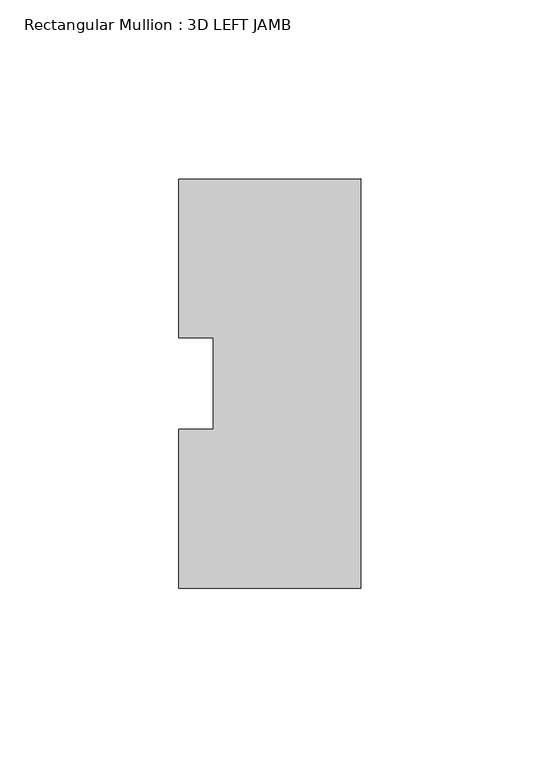
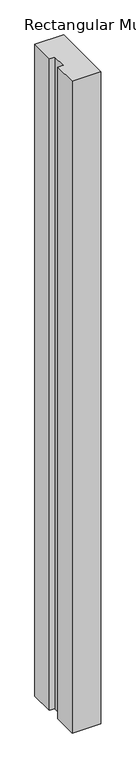
"""IFC4 building model written with IfcOpenShell, lengths in millimetres: member geometry, Rectangular Mullion : 3D LEFT JAMB."""

from ifc_helpers import new_model, si_unit, frame, origin, place, context, project, spatial, polyline, outline, extrude, source, transform, mapped, element, save


def rectangular_mullion_3d_left_jamb_8d1934d5(model_context):
    return source(origin(), model_context, "Body", "SweptSolid", [
        extrude(outline(polyline([(0.0, -57.1484125), (-50.8, -57.1484125), (-50.8, -12.7311082), (-41.275, -12.7311082), (-41.275, 12.7565901), (-50.8, 12.7565901), (-50.8, 57.1515875), (0.0, 57.1646685), (0.0, -57.1484125)])), frame((0.0, 0.0, -1219.2), z_axis=(0.0, 0.0, 1.0), x_axis=(1.0, 0.0, 0.0)), (0.0, 0.0, 1.0), 1219.2),
    ])


if __name__ == "__main__":
    model = new_model("IFC4")
    model_context = context("Model", 3, world=origin())
    ifc_project = project(units=[si_unit("LENGTHUNIT", "METRE", prefix="MILLI")], contexts=[model_context])
    site = spatial("IfcSite", under=ifc_project)
    building = spatial("IfcBuilding", under=site)
    placement = place(None, origin())
    rectangular_mullion_3d_left_jamb_shape = rectangular_mullion_3d_left_jamb_8d1934d5(model_context)
    element("IfcMember", 1, ObjectType="Rectangular Mullion : 3D LEFT JAMB", at=placement, inside=building, context=model_context, shape_type="MappedRepresentation", body=[
        mapped(rectangular_mullion_3d_left_jamb_shape, transform((0.0, 0.0, 0.0), x_axis=(1.0, 0.0, 0.0), y_axis=(0.0, 1.0, 0.0), z_axis=(0.0, 0.0, 1.0))),
    ])
    save(model, "model.ifc")
